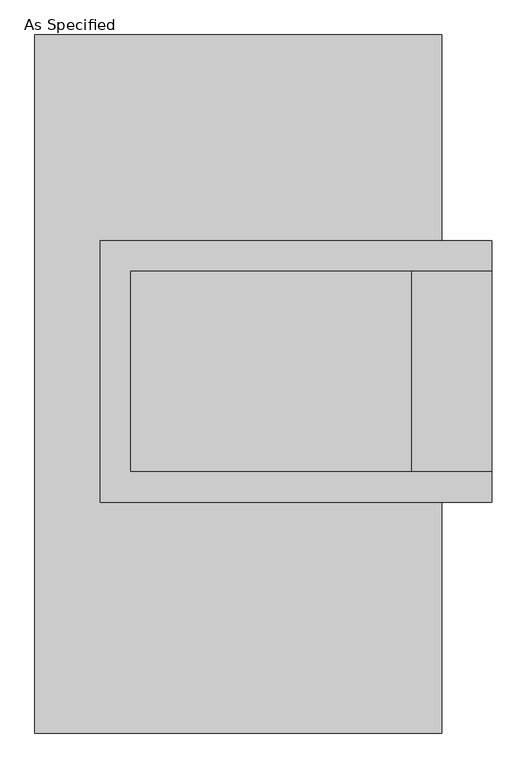
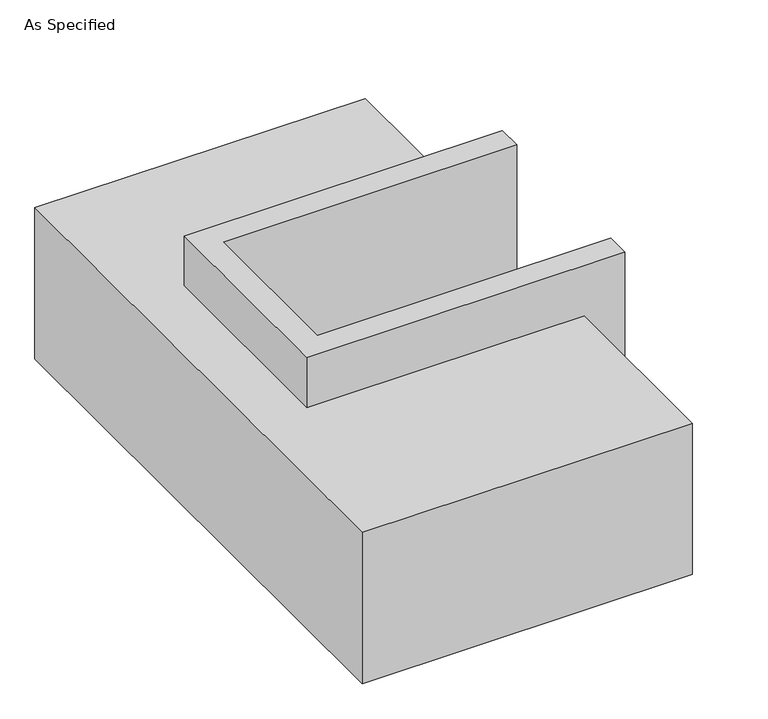
"""IFC4 building model written with IfcOpenShell, lengths in millimetres: proxy geometry, As Specified."""

from ifc_helpers import new_model, si_unit, origin, place, context, project, spatial, faceted_brep, source, transform, mapped, element, save


def as_specified_ad64395e(model_context):
    return source(origin(), model_context, "Body", "Brep", [
        faceted_brep([(-349.25, 361.95, 139.7), (-349.25, 361.95, -393.7), (-349.25, 285.75, -393.7), (-349.25, 285.75, -25.4), (-349.25, -222.25, -25.4), (-349.25, -222.25, -393.7), (-349.25, -298.45, -393.7), (-349.25, -298.45, 139.7), (641.35, 285.75, 139.7), (641.35, 285.75, -317.5), (641.35, -222.25, -317.5), (641.35, -222.25, 139.7), (641.35, -298.45, 139.7), (641.35, -298.45, -393.7), (641.35, 361.95, -393.7), (641.35, 361.95, 139.7), (-273.05, -222.25, 139.7), (-273.05, 285.75, 139.7), (438.15, -222.25, -393.7), (438.15, 285.75, -393.7), (438.15, -222.25, -317.5), (-273.05, -222.25, -25.4), (438.15, 285.75, -317.5), (-273.05, 285.75, -25.4)], [[[0, 1, 2, 3, 4, 5, 6, 7]], [[8, 9, 10, 11, 12, 13, 14, 15]], [[0, 7, 12, 11, 16, 17, 8, 15]], [[1, 0, 15, 14]], [[14, 13, 6, 5, 18, 19, 2, 1]], [[7, 6, 13, 12]], [[11, 10, 20, 18, 5, 4, 21, 16]], [[10, 9, 22, 20]], [[9, 8, 17, 23, 3, 2, 19, 22]], [[18, 20, 22, 19]], [[23, 21, 4, 3]], [[17, 16, 21, 23]]]),
        faceted_brep([(-514.35, 882.65, -523.9742188), (514.35, 882.65, -523.9742188), (514.35, -882.65, -523.9742188), (-514.35, -882.65, -523.9742188), (514.35, 882.65, -25.4), (-514.35, 882.65, -25.4), (-514.35, -882.65, -25.4), (514.35, -882.65, -25.4), (514.35, -298.45, -25.4), (-349.25, -298.45, -25.4), (-349.25, 361.95, -25.4), (514.35, 361.95, -25.4), (514.35, 361.95, -393.7), (514.35, -298.45, -393.7), (-349.25, -298.45, -393.7), (-349.25, 361.95, -393.7)], [[[0, 1, 2, 3]], [[4, 5, 6, 7, 8, 9, 10, 11]], [[1, 0, 5, 4]], [[5, 0, 3, 6]], [[1, 4, 11, 12, 13, 8, 7, 2]], [[3, 2, 7, 6]], [[14, 15, 10, 9]], [[10, 15, 12, 11]], [[15, 14, 13, 12]], [[14, 9, 8, 13]]]),
    ])


if __name__ == "__main__":
    model = new_model("IFC4")
    model_context = context("Model", 3, world=origin())
    ifc_project = project(units=[si_unit("LENGTHUNIT", "METRE", prefix="MILLI")], contexts=[model_context])
    site = spatial("IfcSite", under=ifc_project)
    building = spatial("IfcBuilding", under=site)
    placement = place(None, origin())
    as_specified_shape = as_specified_ad64395e(model_context)
    element("IfcBuildingElementProxy", 1, Name="As Specified", ObjectType="As Specified", at=placement, inside=building, context=model_context, shape_type="MappedRepresentation", body=[
        mapped(as_specified_shape, transform((0.0, 0.0, 0.0), x_axis=(1.0, 0.0, 0.0), y_axis=(0.0, 1.0, 0.0), z_axis=(0.0, 0.0, 1.0))),
    ])
    save(model, "model.ifc")
